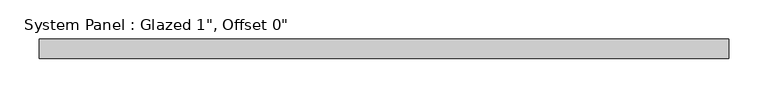
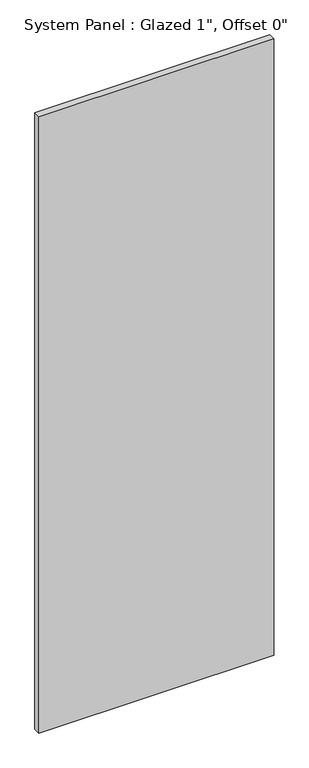
"""IFC4 building model written with IfcOpenShell, lengths in millimetres: plate geometry."""

from ifc_helpers import new_model, si_unit, origin, origin_with_axes, place, context, project, spatial, polyline, outline, extrude, source, transform, mapped, element, save


def plate_e2a75435(model_context):
    return source(origin(), model_context, "Body", "SweptSolid", [
        extrude(outline(polyline([(442.11875, -12.7), (-442.11875, -12.7), (-442.11875, 12.7), (442.11875, 12.7), (442.11875, -12.7)])), origin_with_axes(), (0.0, 0.0, 1.0), 2453.2166667),
    ])


if __name__ == "__main__":
    model = new_model("IFC4")
    model_context = context("Model", 3, world=origin())
    ifc_project = project(units=[si_unit("LENGTHUNIT", "METRE", prefix="MILLI")], contexts=[model_context])
    site = spatial("IfcSite", under=ifc_project)
    building = spatial("IfcBuilding", under=site)
    placement = place(None, origin())
    plate_shape = plate_e2a75435(model_context)
    element("IfcPlate", 1, ObjectType="System Panel : Glazed 1\", Offset 0\"", at=placement, inside=building, context=model_context, shape_type="MappedRepresentation", body=[
        mapped(plate_shape, transform((0.0, 0.0, 0.0), x_axis=(1.0, 0.0, 0.0), y_axis=(0.0, 1.0, 0.0), z_axis=(0.0, 0.0, 1.0))),
    ])
    save(model, "model.ifc")
